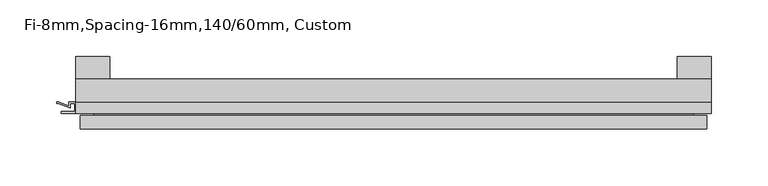
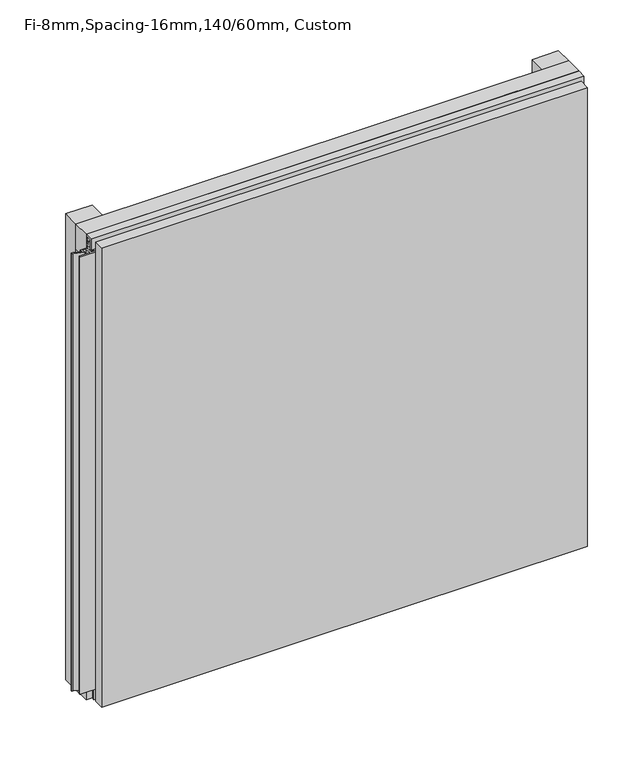
"""IFC4 building model written with IfcOpenShell, lengths in millimetres: plate geometry, Fi-8mm,Spacing-16mm,140/60mm, Custom."""

from ifc_helpers import new_model, si_unit, frame, origin, origin_with_axes, place, context, project, spatial, polyline, outline, extrude, faceted_brep, source, transform, mapped, element, save


def fi_8mm_spacing_16mm_140_60mm_custom_b3ebbd13(model_context):
    return source(origin(), model_context, "Body", "SolidModel", [
        extrude(outline(polyline([(-280.0, -40.0), (-280.0, -20.0), (280.0, -20.0), (280.0, -40.0), (-280.0, -40.0)])), frame((0.0, 0.0, 530.0), z_axis=(0.0, 0.0, 1.0), x_axis=(1.0, 0.0, 0.0)), (0.0, 0.0, 1.0), 30.0),
        extrude(outline(polyline([(-280.0, -40.0), (-280.0, -20.0), (280.0, -20.0), (280.0, -40.0), (-280.0, -40.0)])), origin_with_axes(), (0.0, 0.0, 1.0), 30.0),
        extrude(outline(polyline([(250.0, 0.0), (280.0, 0.0), (280.0, -20.0), (250.0, -20.0), (250.0, 0.0)])), origin_with_axes(), (0.0, 0.0, 1.0), 560.0),
        extrude(outline(polyline([(-250.0, 0.0), (-250.0, -20.0), (-280.0, -20.0), (-280.0, 0.0), (-250.0, 0.0)])), origin_with_axes(), (0.0, 0.0, 1.0), 560.0),
        extrude(outline(polyline([(-40.0, 553.700916), (-43.5, 553.700916), (-40.0553267, 544.6441401), (-40.0553267, 537.008452), (-41.4553267, 537.008452), (-41.4553267, 544.4296606), (-45.5140545, 555.100916), (-41.4, 555.100916), (-41.4, 558.5843193), (-48.7, 558.5843193), (-48.7, 546.5843193), (-50.1, 546.5843193), (-50.1, 560.0), (-40.0, 560.0), (-40.0, 553.700916)])), frame((-280.0, 0.0, 0.0), z_axis=(1.0, 0.0, 0.0), x_axis=(0.0, 1.0, 0.0)), (0.0, 0.0, 1.0), 560.0),
        extrude(outline(polyline([(273.700916, -40.0), (280.0, -40.0), (280.0, -50.1), (266.5843193, -50.1), (266.5843193, -48.7), (278.5843193, -48.7), (278.5843193, -41.4), (275.100916, -41.4), (275.100916, -45.5140545), (264.4296606, -41.4553267), (257.008452, -41.4553267), (257.008452, -40.0553267), (264.6441401, -40.0553267), (273.700916, -43.5), (273.700916, -40.0)])), frame((0.0, 0.0, 16.9558599), z_axis=(0.0, 0.0, 1.0), x_axis=(1.0, 0.0, 0.0)), (0.0, 0.0, 1.0), 526.0882802),
        extrude(outline(polyline([(-280.899084, -48.7), (-280.899084, -41.4), (-284.899084, -41.4), (-284.899084, -45.5140545), (-295.5703394, -41.4553267), (-296.9558599, -41.4553267), (-296.9558599, -40.0553267), (-295.3558599, -40.0553267), (-286.299084, -43.5), (-286.299084, -40.0), (-273.700916, -40.0), (-273.700916, -43.5), (-264.6441401, -40.0553267), (-263.0441401, -40.0553267), (-263.0441401, -41.4553267), (-264.4296606, -41.4553267), (-275.100916, -45.5140545), (-275.100916, -41.4), (-279.100916, -41.4), (-279.100916, -48.7), (-267.100916, -48.7), (-267.100916, -50.1), (-292.899084, -50.1), (-292.899084, -48.7), (-280.899084, -48.7)])), frame((0.0, 0.0, 16.9558599), z_axis=(0.0, 0.0, 1.0), x_axis=(1.0, 0.0, 0.0)), (0.0, 0.0, 1.0), 526.0882802),
        faceted_brep([(276.0, -45.9, 556.0), (-276.0, -45.9, 556.0), (-276.0, -48.7, 556.0), (276.0, -48.7, 556.0), (-276.0, -63.9, 556.0), (276.0, -63.9, 556.0), (276.0, -51.9, 556.0), (-276.0, -51.9, 556.0), (-276.0, -45.9, 4.0), (276.0, -45.9, 4.0), (276.0, -48.7, 4.0), (-276.0, -48.7, 4.0), (276.0, -63.9, 4.0), (-276.0, -63.9, 4.0), (-276.0, -51.9, 4.0), (276.0, -51.9, 4.0), (264.0, -51.9, 544.0), (264.0, -51.9, 16.0), (264.0, -48.7, 16.0), (264.0, -48.7, 544.0), (-264.0, -51.9, 16.0), (-264.0, -48.7, 16.0), (-264.0, -51.9, 544.0), (-264.0, -48.7, 544.0)], [[[0, 1, 2, 3]], [[4, 5, 6, 7]], [[8, 9, 10, 11]], [[12, 13, 14, 15]], [[1, 0, 9, 8]], [[1, 8, 11, 2]], [[13, 4, 7, 14]], [[5, 4, 13, 12]], [[9, 0, 3, 10]], [[5, 12, 15, 6]], [[16, 17, 18, 19]], [[18, 17, 20, 21]], [[21, 20, 22, 23]], [[16, 19, 23, 22]], [[7, 6, 15, 14], [17, 16, 22, 20]], [[3, 2, 11, 10], [19, 18, 21, 23]]]),
    ])


if __name__ == "__main__":
    model = new_model("IFC4")
    model_context = context("Model", 3, world=origin())
    ifc_project = project(units=[si_unit("LENGTHUNIT", "METRE", prefix="MILLI")], contexts=[model_context])
    site = spatial("IfcSite", under=ifc_project)
    building = spatial("IfcBuilding", under=site)
    placement = place(None, origin())
    fi_8mm_spacing_16mm_140_60mm_custom_shape = fi_8mm_spacing_16mm_140_60mm_custom_b3ebbd13(model_context)
    element("IfcPlate", 1, ObjectType="Fi-8mm,Spacing-16mm,140/60mm, Custom", at=placement, inside=building, context=model_context, shape_type="MappedRepresentation", body=[
        mapped(fi_8mm_spacing_16mm_140_60mm_custom_shape, transform((0.0, 0.0, 0.0), x_axis=(1.0, 0.0, 0.0), y_axis=(0.0, 1.0, 0.0), z_axis=(0.0, 0.0, 1.0))),
    ])
    save(model, "model.ifc")
